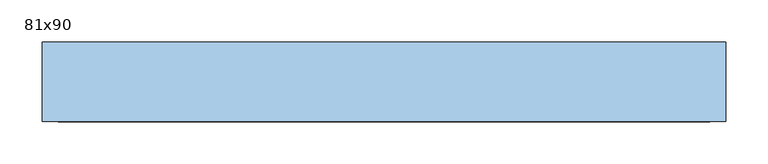
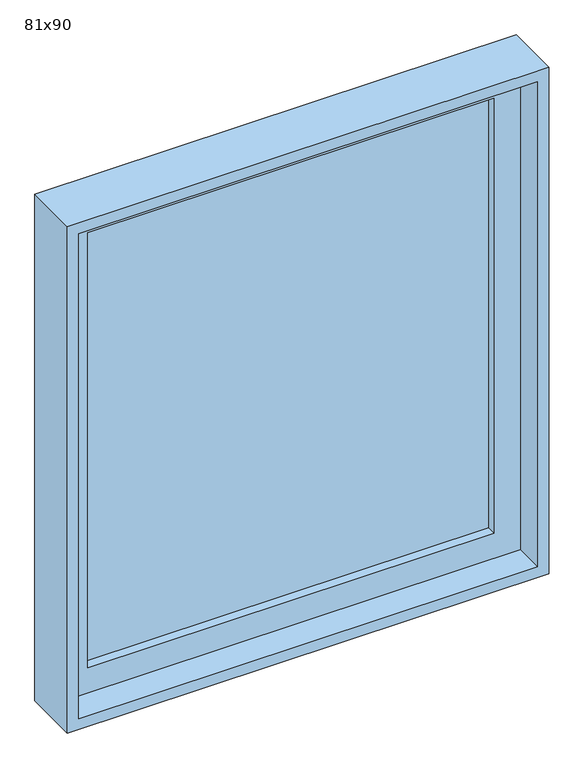
"""IFC4 building model written with IfcOpenShell, lengths in millimetres: window geometry, 81x90."""

from ifc_helpers import new_model, si_unit, frame, origin, place, context, project, spatial, polyline, outline, extrude, source, transform, mapped, element, save


def window_81x90_5cbcee9c(model_context):
    return source(origin(), model_context, "Body", "SweptSolid", [
        extrude(outline(polyline([(303.4, -66.425), (303.4, -79.125), (-379.6, -79.125), (-379.6, -66.425), (303.4, -66.425)])), frame((0.0, 0.0, 977.9), z_axis=(0.0, 0.0, 1.0), x_axis=(1.0, 0.0, 0.0)), (0.0, 0.0, 1.0), 773.0),
        extrude(outline(polyline([(1795.35, -424.05), (933.45, -424.05), (933.45, 347.85), (1795.35, 347.85), (1795.35, -424.05)]), holes=[polyline([(1750.9, -379.6), (1750.9, 303.4), (977.9, 303.4), (977.9, -379.6), (1750.9, -379.6)])]), frame((0.0, -95.0, 0.0), z_axis=(0.0, 1.0, 0.0), x_axis=(0.0, 0.0, 1.0)), (0.0, 0.0, 1.0), 44.45),
        extrude(outline(polyline([(1814.4, 366.9), (1814.4, -443.1), (914.4, -443.1), (914.4, 366.9), (1814.4, 366.9)]), holes=[polyline([(1795.35, 347.85), (933.45, 347.85), (933.45, -424.05), (1795.35, -424.05), (1795.35, 347.85)])]), frame((0.0, -145.0, 0.0), z_axis=(0.0, 1.0, 0.0), x_axis=(0.0, 0.0, 1.0)), (0.0, 0.0, 1.0), 94.45),
    ])


if __name__ == "__main__":
    model = new_model("IFC4")
    model_context = context("Model", 3, world=origin())
    ifc_project = project(units=[si_unit("LENGTHUNIT", "METRE", prefix="MILLI")], contexts=[model_context])
    site = spatial("IfcSite", under=ifc_project)
    building = spatial("IfcBuilding", under=site)
    placement = place(None, origin())
    window_81x90_shape = window_81x90_5cbcee9c(model_context)
    element("IfcWindow", 1, ObjectType="81x90", at=placement, inside=building, context=model_context, shape_type="MappedRepresentation", body=[
        mapped(window_81x90_shape, transform((0.0, 0.0, 0.0), x_axis=(1.0, 0.0, 0.0), y_axis=(0.0, 1.0, 0.0), z_axis=(0.0, 0.0, 1.0))),
    ])
    save(model, "model.ifc")
